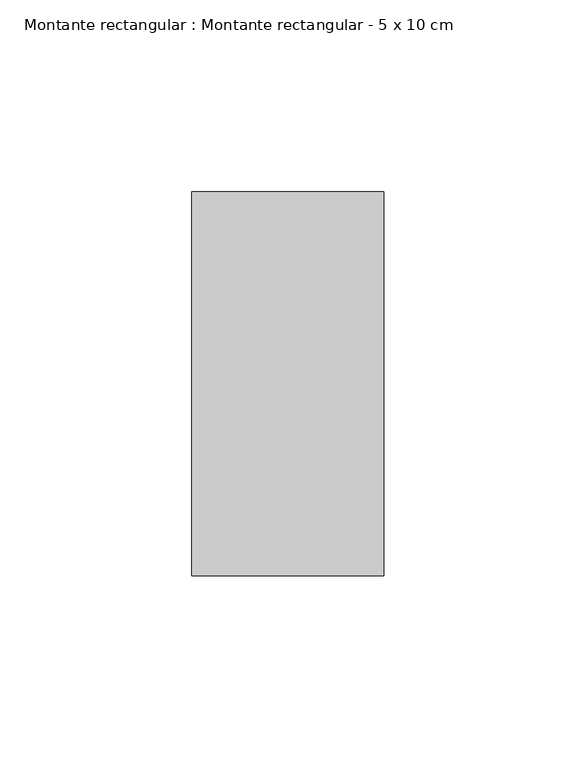
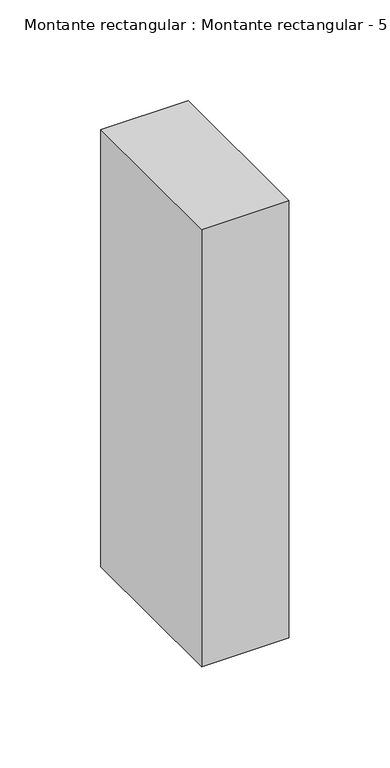
"""IFC4 building model written with IfcOpenShell, lengths in millimetres: member geometry, Montante rectangular : Montante rectangular - 5 x 10 cm."""

from ifc_helpers import new_model, si_unit, frame, origin, place, context, project, spatial, polyline, outline, extrude, source, transform, mapped, element, save


def montante_rectangular_montante_rectangular_5_x_10_cm_3ff638ec(model_context):
    return source(origin(), model_context, "Body", "SweptSolid", [
        extrude(outline(polyline([(25.0, 50.0), (25.0, -50.0), (-25.0, -50.0), (-25.0, 50.0), (25.0, 50.0)])), frame((0.0, 0.0, -265.0), z_axis=(0.0, 0.0, 1.0), x_axis=(1.0, 0.0, 0.0)), (0.0, 0.0, 1.0), 265.0),
    ])


if __name__ == "__main__":
    model = new_model("IFC4")
    model_context = context("Model", 3, world=origin())
    ifc_project = project(units=[si_unit("LENGTHUNIT", "METRE", prefix="MILLI")], contexts=[model_context])
    site = spatial("IfcSite", under=ifc_project)
    building = spatial("IfcBuilding", under=site)
    placement = place(None, origin())
    montante_rectangular_montante_rectangular_5_x_10_cm_shape = montante_rectangular_montante_rectangular_5_x_10_cm_3ff638ec(model_context)
    element("IfcMember", 1, ObjectType="Montante rectangular : Montante rectangular - 5 x 10 cm", at=placement, inside=building, context=model_context, shape_type="MappedRepresentation", body=[
        mapped(montante_rectangular_montante_rectangular_5_x_10_cm_shape, transform((0.0, 0.0, 0.0), x_axis=(1.0, 0.0, 0.0), y_axis=(0.0, 1.0, 0.0), z_axis=(0.0, 0.0, 1.0))),
    ])
    save(model, "model.ifc")
